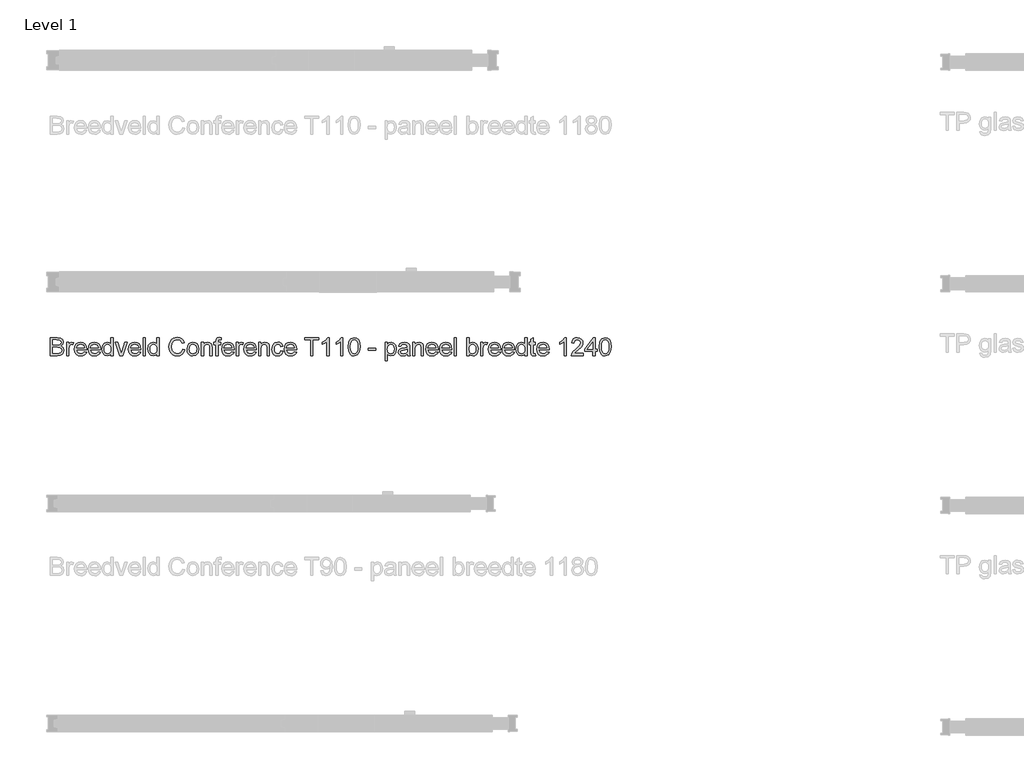
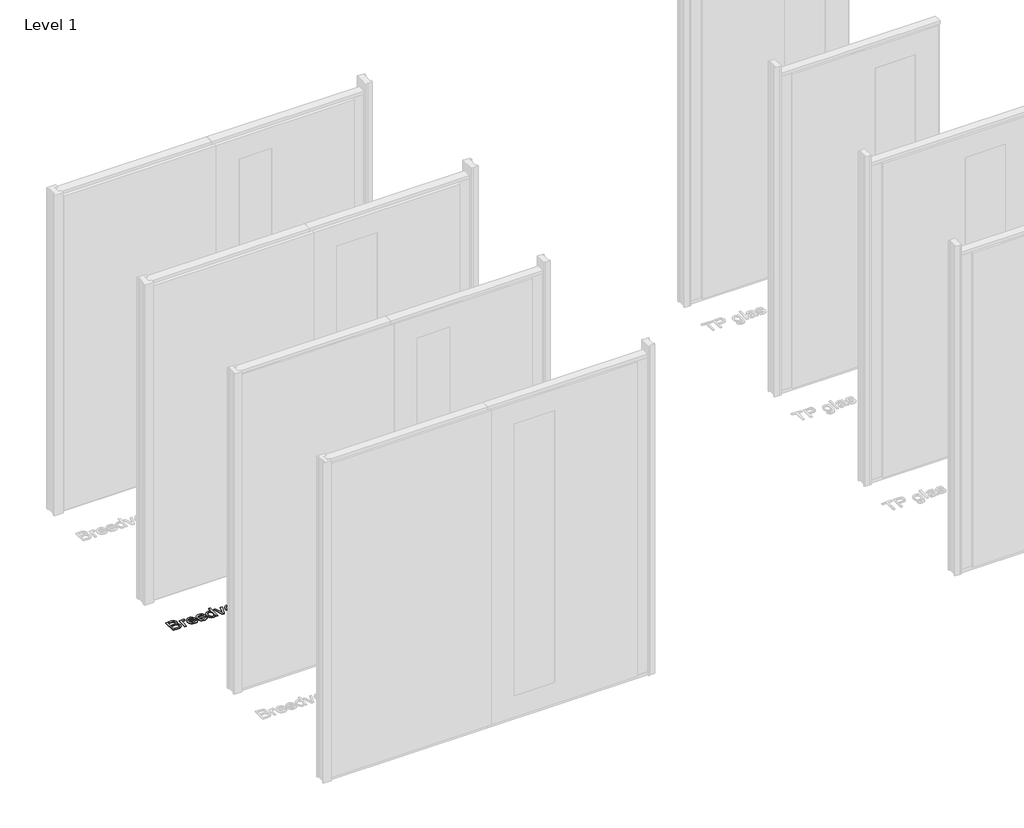
# One storey, part 6 of 17: 1 proxy.
"""IFC4 building model written with IfcOpenShell, lengths in millimetres."""

from ifc_helpers import new_model, si_unit, origin, origin_with_axes, place, context, project, spatial, polyline, outline, extrude, element, save

model = new_model("IFC4")

# Units and contexts
model_context = context("Model", 3, world=origin())
ifc_project = project(units=[si_unit("LENGTHUNIT", "METRE", prefix="MILLI")], contexts=[model_context])

# Site, building, storey
site = spatial("IfcSite", under=ifc_project)
building = spatial("IfcBuilding", under=site)
storey = spatial("IfcBuildingStorey", under=building, Name="Level 1", Elevation=0.0)

# Proxy
placement = place(None, origin())
element("IfcBuildingElementProxy", 1, Name="100 mm", ObjectType="100 mm", at=placement, inside=storey, context=model_context, shape_type="SweptSolid", body=[
    extrude(outline(polyline([(-17380.3580543, 2912.9102169), (-17380.3580543, 3011.3717554), (-17342.7859389, 3011.3717554), (-17324.3844966, 3008.4751207), (-17313.519112, 2999.5688707), (-17309.5888235, 2986.9727169), (-17312.894112, 2975.4703131), (-17322.8820927, 2966.7563707), (-17310.7546889, 2957.5736784), (-17306.5119004, 2942.2611784), (-17309.4085351, 2929.0280054), (-17316.5840158, 2919.6049284), (-17327.2931504, 2914.6049284), (-17343.0744004, 2912.9102169), (-17380.3580543, 2912.9102169)]), holes=[polyline([(-17368.050362, 2925.2179092), (-17342.8099774, 2925.2179092), (-17333.675362, 2925.6986784), (-17325.9469966, 2928.3789669), (-17320.8268043, 2933.8477169), (-17318.8195927, 2942.1409861), (-17321.175362, 2951.7082938), (-17328.8075735, 2957.4174284), (-17344.0119004, 2959.0640631), (-17368.050362, 2959.0640631), (-17368.050362, 2925.2179092)]), polyline([(-17368.050362, 2971.3717554), (-17345.5744004, 2971.3717554), (-17332.4494004, 2972.4294477), (-17324.5527658, 2976.9847361), (-17321.8965158, 2985.0015631), (-17324.3724774, 2993.0304092), (-17331.4638235, 2997.7780054), (-17347.2811312, 2999.0640631), (-17368.050362, 2999.0640631), (-17368.050362, 2971.3717554)])]), origin_with_axes(), (0.0, 0.0, 1.0), 5.0),
    extrude(outline(polyline([(-17291.1272851, 2912.9102169), (-17291.1272851, 2985.2179092), (-17280.3580543, 2985.2179092), (-17280.3580543, 2974.5207938), (-17272.7138235, 2984.3765631), (-17265.0215158, 2986.7563707), (-17252.6657466, 2982.9582938), (-17256.7763235, 2971.92464), (-17265.4301697, 2974.4486784), (-17272.3893043, 2972.0207938), (-17276.8244004, 2965.2900246), (-17278.8195927, 2950.9150246), (-17278.8195927, 2912.9102169), (-17291.1272851, 2912.9102169)])), origin_with_axes(), (0.0, 0.0, 1.0), 5.0),
    extrude(outline(polyline([(-17194.3484389, 2934.4486784), (-17182.2811312, 2932.9102169), (-17186.6290879, 2923.8176688), (-17193.5671889, 2917.0207938), (-17202.9391841, 2912.784015), (-17214.5888235, 2911.3717554), (-17229.0299293, 2913.8086544), (-17240.1417081, 2921.1193515), (-17247.2270447, 2932.8290871), (-17249.5888235, 2948.4631015), (-17247.2030062, 2964.6229573), (-17240.0455543, 2976.7082938), (-17229.0840158, 2984.2443515), (-17215.2859389, 2986.7563707), (-17201.9175495, 2984.2503611), (-17191.2354581, 2976.7323323), (-17184.2312514, 2964.6710342), (-17181.8965158, 2948.5352169), (-17181.9686312, 2945.2179092), (-17237.2811312, 2945.2179092), (-17235.1507226, 2936.0051688), (-17230.2018043, 2929.2323323), (-17214.3484389, 2923.6794477), (-17202.2811312, 2926.2515631), (-17194.3484389, 2934.4486784)]), holes=[polyline([(-17237.2811312, 2957.5256015), (-17194.2042081, 2957.5256015), (-17199.1320927, 2968.6794477), (-17206.3075735, 2973.0063707), (-17215.3340158, 2974.4486784), (-17230.4902658, 2969.8453131), (-17237.2811312, 2957.5256015)])]), origin_with_axes(), (0.0, 0.0, 1.0), 5.0),
    extrude(outline(polyline([(-17118.9638235, 2934.4486784), (-17106.8965158, 2932.9102169), (-17111.2444726, 2923.8176688), (-17118.1825735, 2917.0207938), (-17127.5545687, 2912.784015), (-17139.2042081, 2911.3717554), (-17153.6453139, 2913.8086544), (-17164.7570927, 2921.1193515), (-17171.8424293, 2932.8290871), (-17174.2042081, 2948.4631015), (-17171.8183908, 2964.6229573), (-17164.6609389, 2976.7082938), (-17153.6994004, 2984.2443515), (-17139.9013235, 2986.7563707), (-17126.5329341, 2984.2503611), (-17115.8508427, 2976.7323323), (-17108.846636, 2964.6710342), (-17106.5119004, 2948.5352169), (-17106.5840158, 2945.2179092), (-17161.8965158, 2945.2179092), (-17159.7661072, 2936.0051688), (-17154.8171889, 2929.2323323), (-17138.9638235, 2923.6794477), (-17126.8965158, 2926.2515631), (-17118.9638235, 2934.4486784)]), holes=[polyline([(-17161.8965158, 2957.5256015), (-17118.8195927, 2957.5256015), (-17123.7474774, 2968.6794477), (-17130.9229581, 2973.0063707), (-17139.9494004, 2974.4486784), (-17155.1056504, 2969.8453131), (-17161.8965158, 2957.5256015)])]), origin_with_axes(), (0.0, 0.0, 1.0), 5.0),
    extrude(outline(polyline([(-17049.5888235, 2912.9102169), (-17049.5888235, 2924.5207938), (-17057.7318524, 2914.659015), (-17068.987862, 2911.3717554), (-17084.2282466, 2916.1313707), (-17094.9974774, 2929.4126207), (-17098.8195927, 2948.9919477), (-17095.2979581, 2968.5832938), (-17084.7450735, 2982.0688707), (-17069.0359389, 2986.7563707), (-17057.6897851, 2983.4030054), (-17049.5888235, 2974.6890631), (-17049.5888235, 3011.3717554), (-17037.2811312, 3011.3717554), (-17037.2811312, 2912.9102169), (-17049.5888235, 2912.9102169)]), holes=[polyline([(-17086.5119004, 2949.0400246), (-17085.1236793, 2937.9072121), (-17080.9590158, 2929.9895438), (-17074.9073331, 2925.2569717), (-17067.8580543, 2923.6794477), (-17060.8117802, 2925.1848563), (-17054.9133427, 2929.7010823), (-17050.9199533, 2937.3122602), (-17049.5888235, 2948.1025246), (-17050.9439918, 2959.8993996), (-17055.0094966, 2968.0784861), (-17061.0581745, 2972.8561304), (-17068.362862, 2974.4486784), (-17075.4842562, 2972.9192313), (-17081.3195927, 2968.33089), (-17085.2138235, 2960.4492794), (-17086.5119004, 2949.0400246)])]), origin_with_axes(), (0.0, 0.0, 1.0), 5.0),
    extrude(outline(polyline([(-17001.0792081, 2912.9102169), (-17026.5119004, 2985.2179092), (-17013.4830543, 2985.2179092), (-16998.0744004, 2941.9006015), (-16993.4349774, 2927.3332938), (-16988.8917081, 2941.0832938), (-16973.3869004, 2985.2179092), (-16960.3580543, 2985.2179092), (-16985.4782466, 2912.9102169), (-17001.0792081, 2912.9102169)])), origin_with_axes(), (0.0, 0.0, 1.0), 5.0),
    extrude(outline(polyline([(-16898.9638235, 2934.4486784), (-16886.8965158, 2932.9102169), (-16891.2444726, 2923.8176688), (-16898.1825735, 2917.0207938), (-16907.5545687, 2912.784015), (-16919.2042081, 2911.3717554), (-16933.6453139, 2913.8086544), (-16944.7570927, 2921.1193515), (-16951.8424293, 2932.8290871), (-16954.2042081, 2948.4631015), (-16951.8183908, 2964.6229573), (-16944.6609389, 2976.7082938), (-16933.6994004, 2984.2443515), (-16919.9013235, 2986.7563707), (-16906.5329341, 2984.2503611), (-16895.8508427, 2976.7323323), (-16888.846636, 2964.6710342), (-16886.5119004, 2948.5352169), (-16886.5840158, 2945.2179092), (-16941.8965158, 2945.2179092), (-16939.7661072, 2936.0051688), (-16934.8171889, 2929.2323323), (-16918.9638235, 2923.6794477), (-16906.8965158, 2926.2515631), (-16898.9638235, 2934.4486784)]), holes=[polyline([(-16941.8965158, 2957.5256015), (-16898.8195927, 2957.5256015), (-16903.7474774, 2968.6794477), (-16910.9229581, 2973.0063707), (-16919.9494004, 2974.4486784), (-16935.1056504, 2969.8453131), (-16941.8965158, 2957.5256015)])]), origin_with_axes(), (0.0, 0.0, 1.0), 5.0),
    extrude(outline(polyline([(-16874.2042081, 2912.9102169), (-16874.2042081, 3011.3717554), (-16861.8965158, 3011.3717554), (-16861.8965158, 2912.9102169), (-16874.2042081, 2912.9102169)])), origin_with_axes(), (0.0, 0.0, 1.0), 5.0),
    extrude(outline(polyline([(-16798.8195927, 2912.9102169), (-16798.8195927, 2924.5207938), (-16806.9626216, 2914.659015), (-16818.2186312, 2911.3717554), (-16833.4590158, 2916.1313707), (-16844.2282466, 2929.4126207), (-16848.050362, 2948.9919477), (-16844.5287274, 2968.5832938), (-16833.9758427, 2982.0688707), (-16818.2667081, 2986.7563707), (-16806.9205543, 2983.4030054), (-16798.8195927, 2974.6890631), (-16798.8195927, 3011.3717554), (-16786.5119004, 3011.3717554), (-16786.5119004, 2912.9102169), (-16798.8195927, 2912.9102169)]), holes=[polyline([(-16835.7426697, 2949.0400246), (-16834.3544485, 2937.9072121), (-16830.1897851, 2929.9895438), (-16824.1381024, 2925.2569717), (-16817.0888235, 2923.6794477), (-16810.0425495, 2925.1848563), (-16804.144112, 2929.7010823), (-16800.1507226, 2937.3122602), (-16798.8195927, 2948.1025246), (-16800.174761, 2959.8993996), (-16804.2402658, 2968.0784861), (-16810.2889437, 2972.8561304), (-16817.5936312, 2974.4486784), (-16824.7150254, 2972.9192313), (-16830.550362, 2968.33089), (-16834.4445927, 2960.4492794), (-16835.7426697, 2949.0400246)])]), origin_with_axes(), (0.0, 0.0, 1.0), 5.0),
    extrude(outline(polyline([(-16658.8195927, 2947.9102169), (-16646.5119004, 2944.73714), (-16652.190987, 2930.3951929), (-16661.1032466, 2919.9174284), (-16672.8099774, 2913.5081736), (-16686.8724774, 2911.3717554), (-16701.1483187, 2912.9883419), (-16712.4854581, 2917.8381015), (-16721.175362, 2925.752765), (-16727.5094966, 2936.5640631), (-16732.6657466, 2962.8861784), (-16731.2084149, 2977.2431496), (-16726.8364197, 2989.6409861), (-16719.7781264, 2999.6860582), (-16710.2619004, 3006.9847361), (-16686.6080543, 3012.9102169), (-16673.1134629, 3010.9931496), (-16661.956612, 3005.2419477), (-16653.4860591, 2996.0111784), (-16648.050362, 2983.6554092), (-16660.3580543, 2980.7227169), (-16670.4542081, 2995.8549284), (-16687.0888235, 3000.6025246), (-16706.3436312, 2995.3381015), (-16717.2210351, 2981.2034861), (-16720.3580543, 2962.9102169), (-16716.644112, 2941.7082938), (-16705.081612, 2928.1626207), (-16688.0984389, 2923.6794477), (-16677.8250014, 2925.20589), (-16669.2643043, 2929.7852169), (-16662.8009629, 2937.3693515), (-16658.8195927, 2947.9102169)])), origin_with_axes(), (0.0, 0.0, 1.0), 5.0),
    extrude(outline(polyline([(-16634.2042081, 2949.0640631), (-16631.5419485, 2966.4979573), (-16623.5551697, 2978.7515631), (-16613.6873812, 2984.7551688), (-16601.8724774, 2986.7563707), (-16588.9427899, 2984.3194717), (-16578.6152658, 2977.0087746), (-16571.8454341, 2965.4012025), (-16569.5888235, 2950.0736784), (-16573.5792081, 2928.17464), (-16585.2018043, 2915.7828131), (-16601.8724774, 2911.3717554), (-16614.9584149, 2913.79964), (-16625.2739197, 2921.0832938), (-16631.971636, 2932.9342554), (-16634.2042081, 2949.0640631)]), holes=[polyline([(-16621.8965158, 2949.0881015), (-16620.472237, 2937.9492794), (-16616.1994004, 2930.0135823), (-16609.769112, 2925.2629813), (-16601.8724774, 2923.6794477), (-16594.0119004, 2925.2719957), (-16587.5936312, 2930.04964), (-16583.3207947, 2938.0905054), (-16581.8965158, 2949.4727169), (-16583.3298091, 2960.2870198), (-16587.6296889, 2968.1145438), (-16594.0569726, 2972.8651448), (-16601.8724774, 2974.4486784), (-16609.769112, 2972.8711544), (-16616.1994004, 2968.1385823), (-16620.472237, 2960.220914), (-16621.8965158, 2949.0881015)])]), origin_with_axes(), (0.0, 0.0, 1.0), 5.0),
    extrude(outline(polyline([(-16555.7426697, 2912.9102169), (-16555.7426697, 2985.2179092), (-16543.4349774, 2985.2179092), (-16543.4349774, 2975.1217554), (-16534.0239197, 2983.8477169), (-16521.175362, 2986.7563707), (-16509.5527658, 2984.4126207), (-16501.6200735, 2978.2587746), (-16497.9301697, 2969.2082938), (-16497.2811312, 2957.3092554), (-16497.2811312, 2912.9102169), (-16509.5888235, 2912.9102169), (-16509.5888235, 2955.6506015), (-16511.0070927, 2966.5400246), (-16516.019112, 2972.2972361), (-16524.4686312, 2974.4486784), (-16537.8219966, 2969.6169477), (-16542.0317322, 2962.6157457), (-16543.4349774, 2951.2756015), (-16543.4349774, 2912.9102169), (-16555.7426697, 2912.9102169)])), origin_with_axes(), (0.0, 0.0, 1.0), 5.0),
    extrude(outline(polyline([(-16477.2811312, 2912.9102169), (-16477.2811312, 2972.9102169), (-16488.050362, 2972.9102169), (-16488.050362, 2985.2179092), (-16477.2811312, 2985.2179092), (-16477.2811312, 2992.5015631), (-16475.9830543, 3002.7659861), (-16469.6849774, 3010.0977169), (-16457.2811312, 3012.9102169), (-16446.0551697, 3011.5640631), (-16447.8580543, 3000.0256015), (-16454.9494004, 3000.6025246), (-16462.7018043, 2998.5592554), (-16464.9734389, 2990.9390631), (-16464.9734389, 2985.2179092), (-16451.1272851, 2985.2179092), (-16451.1272851, 2972.9102169), (-16464.9734389, 2972.9102169), (-16464.9734389, 2912.9102169), (-16477.2811312, 2912.9102169)])), origin_with_axes(), (0.0, 0.0, 1.0), 5.0),
    extrude(outline(polyline([(-16389.7330543, 2934.4486784), (-16377.6657466, 2932.9102169), (-16382.0137033, 2923.8176688), (-16388.9518043, 2917.0207938), (-16398.3237995, 2912.784015), (-16409.9734389, 2911.3717554), (-16424.4145447, 2913.8086544), (-16435.5263235, 2921.1193515), (-16442.6116601, 2932.8290871), (-16444.9734389, 2948.4631015), (-16442.5876216, 2964.6229573), (-16435.4301697, 2976.7082938), (-16424.4686312, 2984.2443515), (-16410.6705543, 2986.7563707), (-16397.3021649, 2984.2503611), (-16386.6200735, 2976.7323323), (-16379.6158668, 2964.6710342), (-16377.2811312, 2948.5352169), (-16377.3532466, 2945.2179092), (-16432.6657466, 2945.2179092), (-16430.5353379, 2936.0051688), (-16425.5864197, 2929.2323323), (-16409.7330543, 2923.6794477), (-16397.6657466, 2926.2515631), (-16389.7330543, 2934.4486784)]), holes=[polyline([(-16432.6657466, 2957.5256015), (-16389.5888235, 2957.5256015), (-16394.5167081, 2968.6794477), (-16401.6921889, 2973.0063707), (-16410.7186312, 2974.4486784), (-16425.8748812, 2969.8453131), (-16432.6657466, 2957.5256015)])]), origin_with_axes(), (0.0, 0.0, 1.0), 5.0),
    extrude(outline(polyline([(-16364.9734389, 2912.9102169), (-16364.9734389, 2985.2179092), (-16354.2042081, 2985.2179092), (-16354.2042081, 2974.5207938), (-16346.5599774, 2984.3765631), (-16338.8676697, 2986.7563707), (-16326.5119004, 2982.9582938), (-16330.6224774, 2971.92464), (-16339.2763235, 2974.4486784), (-16346.2354581, 2972.0207938), (-16350.6705543, 2965.2900246), (-16352.6657466, 2950.9150246), (-16352.6657466, 2912.9102169), (-16364.9734389, 2912.9102169)])), origin_with_axes(), (0.0, 0.0, 1.0), 5.0),
    extrude(outline(polyline([(-16268.1945927, 2934.4486784), (-16256.1272851, 2932.9102169), (-16260.4752418, 2923.8176688), (-16267.4133427, 2917.0207938), (-16276.7853379, 2912.784015), (-16288.4349774, 2911.3717554), (-16302.8760831, 2913.8086544), (-16313.987862, 2921.1193515), (-16321.0731985, 2932.8290871), (-16323.4349774, 2948.4631015), (-16321.0491601, 2964.6229573), (-16313.8917081, 2976.7082938), (-16302.9301697, 2984.2443515), (-16289.1320927, 2986.7563707), (-16275.7637033, 2984.2503611), (-16265.081612, 2976.7323323), (-16258.0774052, 2964.6710342), (-16255.7426697, 2948.5352169), (-16255.8147851, 2945.2179092), (-16311.1272851, 2945.2179092), (-16308.9968764, 2936.0051688), (-16304.0479581, 2929.2323323), (-16288.1945927, 2923.6794477), (-16276.1272851, 2926.2515631), (-16268.1945927, 2934.4486784)]), holes=[polyline([(-16311.1272851, 2957.5256015), (-16268.050362, 2957.5256015), (-16272.9782466, 2968.6794477), (-16280.1537274, 2973.0063707), (-16289.1801697, 2974.4486784), (-16304.3364197, 2969.8453131), (-16311.1272851, 2957.5256015)])]), origin_with_axes(), (0.0, 0.0, 1.0), 5.0),
    extrude(outline(polyline([(-16243.4349774, 2912.9102169), (-16243.4349774, 2985.2179092), (-16231.1272851, 2985.2179092), (-16231.1272851, 2975.1217554), (-16221.7162274, 2983.8477169), (-16208.8676697, 2986.7563707), (-16197.2450735, 2984.4126207), (-16189.3123812, 2978.2587746), (-16185.6224774, 2969.2082938), (-16184.9734389, 2957.3092554), (-16184.9734389, 2912.9102169), (-16197.2811312, 2912.9102169), (-16197.2811312, 2955.6506015), (-16198.6994004, 2966.5400246), (-16203.7114197, 2972.2972361), (-16212.1609389, 2974.4486784), (-16225.5143043, 2969.6169477), (-16229.7240399, 2962.6157457), (-16231.1272851, 2951.2756015), (-16231.1272851, 2912.9102169), (-16243.4349774, 2912.9102169)])), origin_with_axes(), (0.0, 0.0, 1.0), 5.0),
    extrude(outline(polyline([(-16121.8965158, 2939.0640631), (-16109.5888235, 2937.5256015), (-16113.0203139, 2926.5790871), (-16119.4686312, 2918.3068515), (-16128.3268043, 2913.1055294), (-16138.987862, 2911.3717554), (-16152.0798091, 2913.7906256), (-16162.3171889, 2921.0472361), (-16168.924761, 2932.8230775), (-16171.1272851, 2948.79964), (-16167.3652658, 2969.2443515), (-16155.8989197, 2982.3813707), (-16139.1561312, 2986.7563707), (-16128.7564918, 2985.2539669), (-16120.4421889, 2980.7467554), (-16114.4776456, 2973.4751207), (-16111.1272851, 2963.6794477), (-16123.4349774, 2962.1409861), (-16129.144112, 2971.3597361), (-16139.0599774, 2974.4486784), (-16147.0137033, 2972.9282457), (-16153.3268043, 2968.3669477), (-16157.4463956, 2960.51839), (-16158.8195927, 2949.1361784), (-16157.4764437, 2937.6007217), (-16153.4469966, 2929.7251207), (-16147.2480783, 2925.1908659), (-16139.3965158, 2923.6794477), (-16127.7979581, 2927.4534861), (-16121.8965158, 2939.0640631)])), origin_with_axes(), (0.0, 0.0, 1.0), 5.0),
    extrude(outline(polyline([(-16048.1945927, 2934.4486784), (-16036.1272851, 2932.9102169), (-16040.4752418, 2923.8176688), (-16047.4133427, 2917.0207938), (-16056.7853379, 2912.784015), (-16068.4349774, 2911.3717554), (-16082.8760831, 2913.8086544), (-16093.987862, 2921.1193515), (-16101.0731985, 2932.8290871), (-16103.4349774, 2948.4631015), (-16101.0491601, 2964.6229573), (-16093.8917081, 2976.7082938), (-16082.9301697, 2984.2443515), (-16069.1320927, 2986.7563707), (-16055.7637033, 2984.2503611), (-16045.081612, 2976.7323323), (-16038.0774052, 2964.6710342), (-16035.7426697, 2948.5352169), (-16035.8147851, 2945.2179092), (-16091.1272851, 2945.2179092), (-16088.9968764, 2936.0051688), (-16084.0479581, 2929.2323323), (-16068.1945927, 2923.6794477), (-16056.1272851, 2926.2515631), (-16048.1945927, 2934.4486784)]), holes=[polyline([(-16091.1272851, 2957.5256015), (-16048.050362, 2957.5256015), (-16052.9782466, 2968.6794477), (-16060.1537274, 2973.0063707), (-16069.1801697, 2974.4486784), (-16084.3364197, 2969.8453131), (-16091.1272851, 2957.5256015)])]), origin_with_axes(), (0.0, 0.0, 1.0), 5.0),
    extrude(outline(polyline([(-15958.8195927, 2912.9102169), (-15958.8195927, 2999.0640631), (-15991.1272851, 2999.0640631), (-15991.1272851, 3011.3717554), (-15914.2042081, 3011.3717554), (-15914.2042081, 2999.0640631), (-15946.5119004, 2999.0640631), (-15946.5119004, 2912.9102169), (-15958.8195927, 2912.9102169)])), origin_with_axes(), (0.0, 0.0, 1.0), 5.0),
    extrude(outline(polyline([(-15858.8195927, 2912.9102169), (-15871.1272851, 2912.9102169), (-15871.1272851, 2989.6409861), (-15882.7859389, 2981.3356977), (-15895.7426697, 2975.1217554), (-15895.7426697, 2986.7563707), (-15877.7018043, 2998.2707938), (-15866.7522851, 3011.3717554), (-15858.8195927, 3011.3717554), (-15858.8195927, 2912.9102169)])), origin_with_axes(), (0.0, 0.0, 1.0), 5.0),
    extrude(outline(polyline([(-15783.4349774, 2912.9102169), (-15795.7426697, 2912.9102169), (-15795.7426697, 2989.6409861), (-15807.4013235, 2981.3356977), (-15820.3580543, 2975.1217554), (-15820.3580543, 2986.7563707), (-15802.3171889, 2998.2707938), (-15791.3676697, 3011.3717554), (-15783.4349774, 3011.3717554), (-15783.4349774, 2912.9102169)])), origin_with_axes(), (0.0, 0.0, 1.0), 5.0),
    extrude(outline(polyline([(-15754.2042081, 2961.3477169), (-15750.5864197, 2989.6770438), (-15739.8412274, 3006.0111784), (-15721.8965158, 3011.3717554), (-15707.5215158, 3008.1986784), (-15697.5936312, 2999.0520438), (-15691.8244004, 2984.4847361), (-15689.5888235, 2961.3477169), (-15693.1705543, 2933.1385823), (-15703.8796889, 2916.76839), (-15721.8965158, 2911.3717554), (-15734.6849774, 2913.7155054), (-15744.3965158, 2920.7467554), (-15751.7522851, 2937.3993996), (-15754.2042081, 2961.3477169)]), holes=[polyline([(-15741.8965158, 2961.3717554), (-15740.4542081, 2942.0117794), (-15736.1272851, 2930.8068515), (-15729.6849774, 2925.4612986), (-15721.8965158, 2923.6794477), (-15714.1080543, 2925.4673082), (-15707.6657466, 2930.83089), (-15703.3388235, 2942.0418275), (-15701.8965158, 2961.3717554), (-15703.2907466, 2980.2960342), (-15707.4734389, 2991.5881015), (-15713.9037274, 2997.1950727), (-15722.0407466, 2999.0640631), (-15729.7450735, 2997.4174284), (-15735.9349774, 2992.4775246), (-15740.4061312, 2980.4823323), (-15741.8965158, 2961.3717554)])]), origin_with_axes(), (0.0, 0.0, 1.0), 5.0),
    extrude(outline(polyline([(-15643.4349774, 2942.1409861), (-15643.4349774, 2954.4486784), (-15604.9734389, 2954.4486784), (-15604.9734389, 2942.1409861), (-15643.4349774, 2942.1409861)])), origin_with_axes(), (0.0, 0.0, 1.0), 5.0),
    extrude(outline(polyline([(-15552.6657466, 2885.2179092), (-15552.6657466, 2985.2179092), (-15540.3580543, 2985.2179092), (-15540.3580543, 2973.1506015), (-15531.8484389, 2983.3549284), (-15520.3580543, 2986.7563707), (-15504.7570927, 2981.9967554), (-15494.5647851, 2968.5832938), (-15491.1272851, 2949.6169477), (-15495.0094966, 2929.6770438), (-15506.2835351, 2916.0953131), (-15521.8484389, 2911.3717554), (-15532.5575735, 2914.5328131), (-15540.3580543, 2922.5256015), (-15540.3580543, 2885.2179092), (-15552.6657466, 2885.2179092)]), holes=[polyline([(-15540.3580543, 2948.48714), (-15539.0269245, 2937.4534861), (-15535.0335351, 2929.73714), (-15529.1411072, 2925.1938707), (-15522.112862, 2923.6794477), (-15514.9704341, 2925.2479573), (-15508.9277658, 2929.9534861), (-15504.8081745, 2937.9522842), (-15503.4349774, 2949.4006015), (-15504.7751216, 2960.3741592), (-15508.7955543, 2968.1986784), (-15514.6789677, 2972.8861784), (-15521.6080543, 2974.4486784), (-15528.5641841, 2972.7870198), (-15534.6729581, 2967.8020438), (-15538.9367802, 2959.6500006), (-15540.3580543, 2948.48714)])]), origin_with_axes(), (0.0, 0.0, 1.0), 5.0),
    extrude(outline(polyline([(-15431.1272851, 2922.1409861), (-15443.0623812, 2913.79964), (-15456.2474774, 2911.3717554), (-15466.5329341, 2912.8320919), (-15474.1200735, 2917.2131015), (-15478.7985591, 2923.8657457), (-15480.3580543, 2932.1409861), (-15478.0022851, 2941.8765631), (-15471.8123812, 2948.9438707), (-15463.1945927, 2952.9823323), (-15452.5455543, 2954.8332938), (-15431.1994004, 2959.0640631), (-15431.1272851, 2961.8044477), (-15434.5167081, 2970.8909861), (-15448.1224774, 2974.4486784), (-15460.5744004, 2972.08089), (-15466.5119004, 2963.6794477), (-15478.8195927, 2965.2179092), (-15473.4950735, 2977.23714), (-15462.7739197, 2984.2804092), (-15446.5359389, 2986.7563707), (-15431.6200735, 2984.5688707), (-15423.1945927, 2979.0760823), (-15419.4205543, 2970.7227169), (-15418.8195927, 2959.9534861), (-15418.8195927, 2944.6409861), (-15418.1945927, 2923.2587746), (-15415.7426697, 2912.9102169), (-15428.050362, 2912.9102169), (-15431.1272851, 2922.1409861)]), holes=[polyline([(-15431.1272851, 2946.7563707), (-15450.9830543, 2942.9823323), (-15461.5719966, 2940.98714), (-15466.3676697, 2937.7419477), (-15468.050362, 2933.0063707), (-15464.3844966, 2926.3477169), (-15453.6272851, 2923.6794477), (-15441.175362, 2926.6241592), (-15433.1465158, 2933.7515631), (-15431.1994004, 2943.2707938), (-15431.1272851, 2946.7563707)])]), origin_with_axes(), (0.0, 0.0, 1.0), 5.0),
    extrude(outline(polyline([(-15401.8965158, 2912.9102169), (-15401.8965158, 2985.2179092), (-15389.5888235, 2985.2179092), (-15389.5888235, 2975.1217554), (-15380.1777658, 2983.8477169), (-15367.3292081, 2986.7563707), (-15355.706612, 2984.4126207), (-15347.7739197, 2978.2587746), (-15344.0840158, 2969.2082938), (-15343.4349774, 2957.3092554), (-15343.4349774, 2912.9102169), (-15355.7426697, 2912.9102169), (-15355.7426697, 2955.6506015), (-15357.1609389, 2966.5400246), (-15362.1729581, 2972.2972361), (-15370.6224774, 2974.4486784), (-15383.9758427, 2969.6169477), (-15388.1855783, 2962.6157457), (-15389.5888235, 2951.2756015), (-15389.5888235, 2912.9102169), (-15401.8965158, 2912.9102169)])), origin_with_axes(), (0.0, 0.0, 1.0), 5.0),
    extrude(outline(polyline([(-15275.8869004, 2934.4486784), (-15263.8195927, 2932.9102169), (-15268.1675495, 2923.8176688), (-15275.1056504, 2917.0207938), (-15284.4776456, 2912.784015), (-15296.1272851, 2911.3717554), (-15310.5683908, 2913.8086544), (-15321.6801697, 2921.1193515), (-15328.7655062, 2932.8290871), (-15331.1272851, 2948.4631015), (-15328.7414677, 2964.6229573), (-15321.5840158, 2976.7082938), (-15310.6224774, 2984.2443515), (-15296.8244004, 2986.7563707), (-15283.456011, 2984.2503611), (-15272.7739197, 2976.7323323), (-15265.7697129, 2964.6710342), (-15263.4349774, 2948.5352169), (-15263.5070927, 2945.2179092), (-15318.8195927, 2945.2179092), (-15316.6891841, 2936.0051688), (-15311.7402658, 2929.2323323), (-15295.8869004, 2923.6794477), (-15283.8195927, 2926.2515631), (-15275.8869004, 2934.4486784)]), holes=[polyline([(-15318.8195927, 2957.5256015), (-15275.7426697, 2957.5256015), (-15280.6705543, 2968.6794477), (-15287.8460351, 2973.0063707), (-15296.8724774, 2974.4486784), (-15312.0287274, 2969.8453131), (-15318.8195927, 2957.5256015)])]), origin_with_axes(), (0.0, 0.0, 1.0), 5.0),
    extrude(outline(polyline([(-15200.5022851, 2934.4486784), (-15188.4349774, 2932.9102169), (-15192.7829341, 2923.8176688), (-15199.7210351, 2917.0207938), (-15209.0930302, 2912.784015), (-15220.7426697, 2911.3717554), (-15235.1837754, 2913.8086544), (-15246.2955543, 2921.1193515), (-15253.3808908, 2932.8290871), (-15255.7426697, 2948.4631015), (-15253.3568524, 2964.6229573), (-15246.1994004, 2976.7082938), (-15235.237862, 2984.2443515), (-15221.4397851, 2986.7563707), (-15208.0713956, 2984.2503611), (-15197.3893043, 2976.7323323), (-15190.3850976, 2964.6710342), (-15188.050362, 2948.5352169), (-15188.1224774, 2945.2179092), (-15243.4349774, 2945.2179092), (-15241.3045687, 2936.0051688), (-15236.3556504, 2929.2323323), (-15220.5022851, 2923.6794477), (-15208.4349774, 2926.2515631), (-15200.5022851, 2934.4486784)]), holes=[polyline([(-15243.4349774, 2957.5256015), (-15200.3580543, 2957.5256015), (-15205.2859389, 2968.6794477), (-15212.4614197, 2973.0063707), (-15221.487862, 2974.4486784), (-15236.644112, 2969.8453131), (-15243.4349774, 2957.5256015)])]), origin_with_axes(), (0.0, 0.0, 1.0), 5.0),
    extrude(outline(polyline([(-15175.7426697, 2912.9102169), (-15175.7426697, 3011.3717554), (-15163.4349774, 3011.3717554), (-15163.4349774, 2912.9102169), (-15175.7426697, 2912.9102169)])), origin_with_axes(), (0.0, 0.0, 1.0), 5.0),
    extrude(outline(polyline([(-15094.2042081, 2912.9102169), (-15106.5119004, 2912.9102169), (-15106.5119004, 3011.3717554), (-15094.2042081, 3011.3717554), (-15094.2042081, 2974.8573323), (-15085.5864197, 2983.7816111), (-15074.8772851, 2986.7563707), (-15062.5455543, 2984.0760823), (-15052.9782466, 2976.5400246), (-15047.1008427, 2964.8212746), (-15044.9734389, 2950.1457938), (-15047.1759629, 2933.7155054), (-15053.7835351, 2921.4919477), (-15063.4800495, 2913.9018034), (-15074.9494004, 2911.3717554), (-15085.8929101, 2914.6349765), (-15094.2042081, 2924.42464), (-15094.2042081, 2912.9102169)]), holes=[polyline([(-15094.2042081, 2949.5688707), (-15090.8388235, 2932.3573323), (-15084.3905062, 2925.8489188), (-15076.0070927, 2923.6794477), (-15068.9037274, 2925.2780054), (-15062.8340158, 2930.0736784), (-15058.6693524, 2938.0364188), (-15057.2811312, 2949.1361784), (-15058.612261, 2960.3981977), (-15062.6056504, 2968.2707938), (-15068.4860591, 2972.9042073), (-15075.4782466, 2974.4486784), (-15082.581612, 2972.8501207), (-15088.6513235, 2968.0544477), (-15092.815987, 2960.2359381), (-15094.2042081, 2949.5688707)])]), origin_with_axes(), (0.0, 0.0, 1.0), 5.0),
    extrude(outline(polyline([(-15031.1272851, 2912.9102169), (-15031.1272851, 2985.2179092), (-15020.3580543, 2985.2179092), (-15020.3580543, 2974.5207938), (-15012.7138235, 2984.3765631), (-15005.0215158, 2986.7563707), (-14992.6657466, 2982.9582938), (-14996.7763235, 2971.92464), (-15005.4301697, 2974.4486784), (-15012.3893043, 2972.0207938), (-15016.8244004, 2965.2900246), (-15018.8195927, 2950.9150246), (-15018.8195927, 2912.9102169), (-15031.1272851, 2912.9102169)])), origin_with_axes(), (0.0, 0.0, 1.0), 5.0),
    extrude(outline(polyline([(-14934.3484389, 2934.4486784), (-14922.2811312, 2932.9102169), (-14926.6290879, 2923.8176688), (-14933.5671889, 2917.0207938), (-14942.9391841, 2912.784015), (-14954.5888235, 2911.3717554), (-14969.0299293, 2913.8086544), (-14980.1417081, 2921.1193515), (-14987.2270447, 2932.8290871), (-14989.5888235, 2948.4631015), (-14987.2030062, 2964.6229573), (-14980.0455543, 2976.7082938), (-14969.0840158, 2984.2443515), (-14955.2859389, 2986.7563707), (-14941.9175495, 2984.2503611), (-14931.2354581, 2976.7323323), (-14924.2312514, 2964.6710342), (-14921.8965158, 2948.5352169), (-14921.9686312, 2945.2179092), (-14977.2811312, 2945.2179092), (-14975.1507226, 2936.0051688), (-14970.2018043, 2929.2323323), (-14954.3484389, 2923.6794477), (-14942.2811312, 2926.2515631), (-14934.3484389, 2934.4486784)]), holes=[polyline([(-14977.2811312, 2957.5256015), (-14934.2042081, 2957.5256015), (-14939.1320927, 2968.6794477), (-14946.3075735, 2973.0063707), (-14955.3340158, 2974.4486784), (-14970.4902658, 2969.8453131), (-14977.2811312, 2957.5256015)])]), origin_with_axes(), (0.0, 0.0, 1.0), 5.0),
    extrude(outline(polyline([(-14858.9638235, 2934.4486784), (-14846.8965158, 2932.9102169), (-14851.2444726, 2923.8176688), (-14858.1825735, 2917.0207938), (-14867.5545687, 2912.784015), (-14879.2042081, 2911.3717554), (-14893.6453139, 2913.8086544), (-14904.7570927, 2921.1193515), (-14911.8424293, 2932.8290871), (-14914.2042081, 2948.4631015), (-14911.8183908, 2964.6229573), (-14904.6609389, 2976.7082938), (-14893.6994004, 2984.2443515), (-14879.9013235, 2986.7563707), (-14866.5329341, 2984.2503611), (-14855.8508427, 2976.7323323), (-14848.846636, 2964.6710342), (-14846.5119004, 2948.5352169), (-14846.5840158, 2945.2179092), (-14901.8965158, 2945.2179092), (-14899.7661072, 2936.0051688), (-14894.8171889, 2929.2323323), (-14878.9638235, 2923.6794477), (-14866.8965158, 2926.2515631), (-14858.9638235, 2934.4486784)]), holes=[polyline([(-14901.8965158, 2957.5256015), (-14858.8195927, 2957.5256015), (-14863.7474774, 2968.6794477), (-14870.9229581, 2973.0063707), (-14879.9494004, 2974.4486784), (-14895.1056504, 2969.8453131), (-14901.8965158, 2957.5256015)])]), origin_with_axes(), (0.0, 0.0, 1.0), 5.0),
    extrude(outline(polyline([(-14789.5888235, 2912.9102169), (-14789.5888235, 2924.5207938), (-14797.7318524, 2914.659015), (-14808.987862, 2911.3717554), (-14824.2282466, 2916.1313707), (-14834.9974774, 2929.4126207), (-14838.8195927, 2948.9919477), (-14835.2979581, 2968.5832938), (-14824.7450735, 2982.0688707), (-14809.0359389, 2986.7563707), (-14797.6897851, 2983.4030054), (-14789.5888235, 2974.6890631), (-14789.5888235, 3011.3717554), (-14777.2811312, 3011.3717554), (-14777.2811312, 2912.9102169), (-14789.5888235, 2912.9102169)]), holes=[polyline([(-14826.5119004, 2949.0400246), (-14825.1236793, 2937.9072121), (-14820.9590158, 2929.9895438), (-14814.9073331, 2925.2569717), (-14807.8580543, 2923.6794477), (-14800.8117802, 2925.1848563), (-14794.9133427, 2929.7010823), (-14790.9199533, 2937.3122602), (-14789.5888235, 2948.1025246), (-14790.9439918, 2959.8993996), (-14795.0094966, 2968.0784861), (-14801.0581745, 2972.8561304), (-14808.362862, 2974.4486784), (-14815.4842562, 2972.9192313), (-14821.3195927, 2968.33089), (-14825.2138235, 2960.4492794), (-14826.5119004, 2949.0400246)])]), origin_with_axes(), (0.0, 0.0, 1.0), 5.0),
    extrude(outline(polyline([(-14732.6657466, 2923.17464), (-14731.1272851, 2912.54964), (-14740.3340158, 2911.3717554), (-14750.6465158, 2913.4150246), (-14755.7907466, 2918.7756015), (-14757.2811312, 2932.7419477), (-14757.2811312, 2972.9102169), (-14766.5119004, 2972.9102169), (-14766.5119004, 2985.2179092), (-14757.2811312, 2985.2179092), (-14757.2811312, 3002.7900246), (-14744.9734389, 3010.0256015), (-14744.9734389, 2985.2179092), (-14732.6657466, 2985.2179092), (-14732.6657466, 2972.9102169), (-14744.9734389, 2972.9102169), (-14744.9734389, 2933.1025246), (-14744.3244004, 2926.7563707), (-14742.2210351, 2924.5087746), (-14738.0263235, 2923.6794477), (-14732.6657466, 2923.17464)])), origin_with_axes(), (0.0, 0.0, 1.0), 5.0),
    extrude(outline(polyline([(-14669.7330543, 2934.4486784), (-14657.6657466, 2932.9102169), (-14662.0137033, 2923.8176688), (-14668.9518043, 2917.0207938), (-14678.3237995, 2912.784015), (-14689.9734389, 2911.3717554), (-14704.4145447, 2913.8086544), (-14715.5263235, 2921.1193515), (-14722.6116601, 2932.8290871), (-14724.9734389, 2948.4631015), (-14722.5876216, 2964.6229573), (-14715.4301697, 2976.7082938), (-14704.4686312, 2984.2443515), (-14690.6705543, 2986.7563707), (-14677.3021649, 2984.2503611), (-14666.6200735, 2976.7323323), (-14659.6158668, 2964.6710342), (-14657.2811312, 2948.5352169), (-14657.3532466, 2945.2179092), (-14712.6657466, 2945.2179092), (-14710.5353379, 2936.0051688), (-14705.5864197, 2929.2323323), (-14689.7330543, 2923.6794477), (-14677.6657466, 2926.2515631), (-14669.7330543, 2934.4486784)]), holes=[polyline([(-14712.6657466, 2957.5256015), (-14669.5888235, 2957.5256015), (-14674.5167081, 2968.6794477), (-14681.6921889, 2973.0063707), (-14690.7186312, 2974.4486784), (-14705.8748812, 2969.8453131), (-14712.6657466, 2957.5256015)])]), origin_with_axes(), (0.0, 0.0, 1.0), 5.0),
    extrude(outline(polyline([(-14563.4349774, 2912.9102169), (-14575.7426697, 2912.9102169), (-14575.7426697, 2989.6409861), (-14587.4013235, 2981.3356977), (-14600.3580543, 2975.1217554), (-14600.3580543, 2986.7563707), (-14582.3171889, 2998.2707938), (-14571.3676697, 3011.3717554), (-14563.4349774, 3011.3717554), (-14563.4349774, 2912.9102169)])), origin_with_axes(), (0.0, 0.0, 1.0), 5.0),
    extrude(outline(polyline([(-14471.1272851, 2925.2179092), (-14471.1272851, 2912.9102169), (-14535.7426697, 2912.9102169), (-14534.4205543, 2921.3957938), (-14526.9445927, 2934.4606977), (-14511.5359389, 2948.7275246), (-14490.2859389, 2969.2323323), (-14484.9734389, 2983.17464), (-14489.9854581, 2994.4606977), (-14503.0744004, 2999.0640631), (-14516.7162274, 2994.5688707), (-14521.8965158, 2982.1409861), (-14534.2042081, 2983.6794477), (-14531.2204341, 2995.5844957), (-14524.769112, 3004.2804092), (-14515.1867802, 3009.5989188), (-14502.8099774, 3011.3717554), (-14490.3430302, 3009.4006015), (-14480.7787274, 3003.48714), (-14474.6939918, 2994.6530054), (-14472.6657466, 2983.9198323), (-14474.8532466, 2972.2491592), (-14482.1248812, 2960.1818515), (-14499.7570927, 2943.3188707), (-14513.9157466, 2931.4799284), (-14519.4686312, 2925.2179092), (-14471.1272851, 2925.2179092)])), origin_with_axes(), (0.0, 0.0, 1.0), 5.0),
    extrude(outline(polyline([(-14418.8195927, 2912.9102169), (-14418.8195927, 2935.98714), (-14463.4349774, 2935.98714), (-14463.4349774, 2948.2948323), (-14415.7426697, 3009.8332938), (-14406.5119004, 3009.8332938), (-14406.5119004, 2948.2948323), (-14394.2042081, 2948.2948323), (-14394.2042081, 2935.98714), (-14406.5119004, 2935.98714), (-14406.5119004, 2912.9102169), (-14418.8195927, 2912.9102169)]), holes=[polyline([(-14418.8195927, 2948.2948323), (-14418.8195927, 2986.3236784), (-14448.2907466, 2948.2948323), (-14418.8195927, 2948.2948323)])]), origin_with_axes(), (0.0, 0.0, 1.0), 5.0),
    extrude(outline(polyline([(-14383.4349774, 2961.3477169), (-14379.8171889, 2989.6770438), (-14369.0719966, 3006.0111784), (-14351.1272851, 3011.3717554), (-14336.7522851, 3008.1986784), (-14326.8244004, 2999.0520438), (-14321.0551697, 2984.4847361), (-14318.8195927, 2961.3477169), (-14322.4013235, 2933.1385823), (-14333.1104581, 2916.76839), (-14351.1272851, 2911.3717554), (-14363.9157466, 2913.7155054), (-14373.6272851, 2920.7467554), (-14380.9830543, 2937.3993996), (-14383.4349774, 2961.3477169)]), holes=[polyline([(-14371.1272851, 2961.3717554), (-14369.6849774, 2942.0117794), (-14365.3580543, 2930.8068515), (-14358.9157466, 2925.4612986), (-14351.1272851, 2923.6794477), (-14343.3388235, 2925.4673082), (-14336.8965158, 2930.83089), (-14332.5695927, 2942.0418275), (-14331.1272851, 2961.3717554), (-14332.5215158, 2980.2960342), (-14336.7042081, 2991.5881015), (-14343.1344966, 2997.1950727), (-14351.2715158, 2999.0640631), (-14358.9758427, 2997.4174284), (-14365.1657466, 2992.4775246), (-14369.6369004, 2980.4823323), (-14371.1272851, 2961.3717554)])]), origin_with_axes(), (0.0, 0.0, 1.0), 5.0),
])

save(model, "model.ifc")
